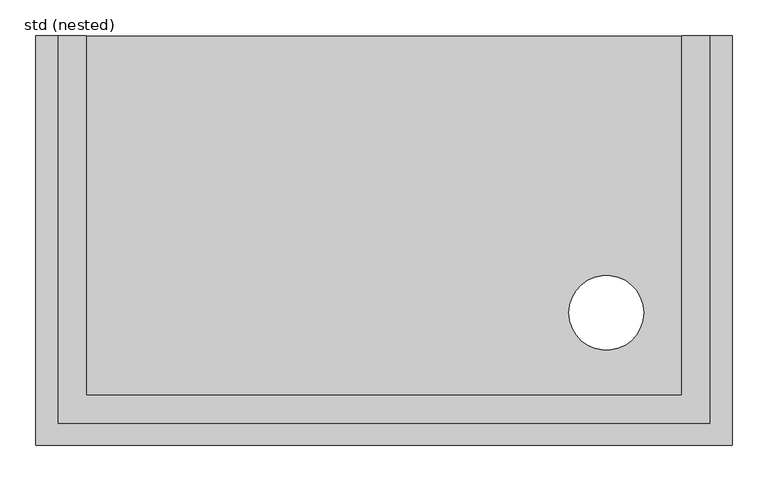
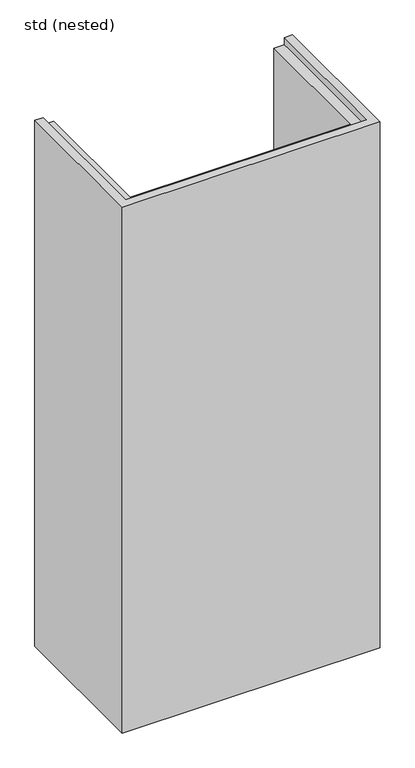
"""IFC4 building model written with IfcOpenShell, lengths in millimetres: proxy geometry, std (nested)."""

from ifc_helpers import new_model, si_unit, frame, origin, place, context, project, spatial, polyline, circle_curve, source, transform, mapped, element, save
from ifc_brep_helpers import plane_surface, revolved_surface, advanced_brep


def std_nested_1ade685b(model_context):
    return source(origin(), model_context, "Body", "AdvancedBrep", [
        advanced_brep(
        [(-484.5, 0.0, 2090.0), (-454.0, 0.0, 2090.0), (-454.0, 0.0, 2062.0), (-414.5, 0.0, 2062.0), (-414.5, 0.0, 90.0), (414.5, 0.0, 90.0), (414.5, 0.0, 2062.0), (454.0, 0.0, 2062.0), (454.0, 0.0, 2090.0), (484.5, 0.0, 2090.0), (484.5, 0.0, 0.0), (-484.5, 0.0, 0.0), (-484.5, -570.0, 0.0), (-484.5, -570.0, 2090.0), (484.5, -570.0, 2090.0), (454.0, -539.5, 2090.0), (-454.0, -539.5, 2090.0), (-454.0, -539.5, 2062.0), (454.0, -539.5, 2062.0), (414.5, -500.0, 2062.0), (-414.5, -500.0, 2062.0), (-414.5, -500.0, 90.0), (484.5, -570.0, 0.0), (414.5, -500.0, 90.0), (257.5, -385.0, 90.0), (361.5, -385.0, 90.0), (257.5, -385.0, 0.0), (361.5, -385.0, 0.0)],
        [
            (0, 1),
            (1, 2),
            (2, 3),
            (3, 4),
            (4, 5),
            (5, 6),
            (6, 7),
            (7, 8),
            (8, 9),
            (9, 10),
            (10, 11),
            (11, 0),
            (11, 12),
            (12, 13),
            (13, 0),
            (13, 14),
            (14, 9),
            (8, 15),
            (15, 16),
            (16, 1),
            (16, 17),
            (17, 2),
            (17, 18),
            (18, 7),
            (6, 19),
            (19, 20),
            (20, 3),
            (20, 21),
            (21, 4),
            (12, 22),
            (22, 14),
            (15, 18),
            (19, 23),
            (23, 21),
            (22, 10),
            (5, 23),
            (24, 25, circle_curve(frame((309.5, -385.0, 90.0), z_axis=(0.0, 0.0, -1.0), x_axis=(1.0, 0.0, 0.0)), 52.0)),
            (25, 24, circle_curve(frame((309.5, -385.0, 90.0), z_axis=(0.0, 0.0, -1.0), x_axis=(1.0, 0.0, 0.0)), 52.0)),
            (26, 27, circle_curve(frame((309.5, -385.0, 0.0), z_axis=(0.0, 0.0, 1.0), x_axis=(1.0, 0.0, 0.0)), 52.0)),
            (27, 26, circle_curve(frame((309.5, -385.0, 0.0), z_axis=(0.0, 0.0, 1.0), x_axis=(1.0, 0.0, 0.0)), 52.0)),
            (24, 26),
            (27, 25),
        ],
        [
            plane_surface(frame((-484.5, 0.0, 0.0), z_axis=(0.0, 1.0, 0.0), x_axis=(0.0, 0.0, 1.0))),
            plane_surface(frame((-484.5, 0.0, 90.0), z_axis=(-1.0, 0.0, 0.0), x_axis=(0.0, -1.0, 0.0))),
            plane_surface(frame((-484.5, 0.0, 2090.0), z_axis=(0.0, 0.0, 1.0), x_axis=(0.0, -1.0, 0.0))),
            plane_surface(frame((-454.0, 0.0, 2090.0), z_axis=(1.0, 0.0, 0.0), x_axis=(0.0, -1.0, 0.0))),
            plane_surface(frame((-454.0, 0.0, 2062.0), z_axis=(0.0, 0.0, 1.0), x_axis=(0.0, -1.0, 0.0))),
            plane_surface(frame((-414.5, 0.0, 2062.0), z_axis=(1.0, 0.0, 0.0), x_axis=(0.0, -1.0, 0.0))),
            plane_surface(frame((-484.5, -570.0, 90.0), z_axis=(0.0, -1.0, 0.0), x_axis=(1.0, 0.0, 0.0))),
            plane_surface(frame((-454.0, -539.5, 2090.0), z_axis=(0.0, 1.0, 0.0), x_axis=(1.0, 0.0, 0.0))),
            plane_surface(frame((-414.5, -500.0, 2062.0), z_axis=(0.0, 1.0, 0.0), x_axis=(1.0, 0.0, 0.0))),
            plane_surface(frame((484.5, -570.0, 90.0), z_axis=(1.0, 0.0, 0.0), x_axis=(0.0, 1.0, 0.0))),
            plane_surface(frame((454.0, -539.5, 2090.0), z_axis=(-1.0, 0.0, 0.0), x_axis=(0.0, 1.0, 0.0))),
            plane_surface(frame((414.5, -500.0, 2062.0), z_axis=(-1.0, 0.0, 0.0), x_axis=(0.0, 1.0, 0.0))),
            plane_surface(frame((-484.5, 0.0, 90.0), z_axis=(0.0, 0.0, 1.0), x_axis=(-1.0, 0.0, 0.0))),
            plane_surface(frame((-484.5, 0.0, 0.0), z_axis=(0.0, 0.0, -1.0), x_axis=(1.0, 0.0, 0.0))),
            revolved_surface(polyline([(361.5, -385.0, 0.0), (361.5, -385.0, 90.0)]), (309.5, -385.0, 0.0), (0.0, 0.0, -1.0)),
        ],
        [
            (0, [[1, 2, 3, 4, 5, 6, 7, 8, 9, 10, 11, 12]]),
            (1, [[-12, 13, 14, 15]]),
            (2, [[-1, -15, 16, 17, -9, 18, 19, 20]]),
            (3, [[-2, -20, 21, 22]]),
            (4, [[-3, -22, 23, 24, -7, 25, 26, 27]]),
            (5, [[-4, -27, 28, 29]]),
            (6, [[-14, 30, 31, -16]]),
            (7, [[-19, 32, -23, -21]]),
            (8, [[-26, 33, 34, -28]]),
            (9, [[-10, -17, -31, 35]]),
            (10, [[-18, -8, -24, -32]]),
            (11, [[-25, -6, 36, -33]]),
            (12, [[-5, -29, -34, -36], [37, 38]]),
            (13, [[-35, -30, -13, -11], [39, 40]]),
            (14, [[-37, 41, -40, 42]]),
            (14, [[-38, -42, -39, -41]]),
        ],
    ),
    ])


if __name__ == "__main__":
    model = new_model("IFC4")
    model_context = context("Model", 3, world=origin())
    ifc_project = project(units=[si_unit("LENGTHUNIT", "METRE", prefix="MILLI")], contexts=[model_context])
    site = spatial("IfcSite", under=ifc_project)
    building = spatial("IfcBuilding", under=site)
    placement = place(None, origin())
    std_nested_shape = std_nested_1ade685b(model_context)
    element("IfcBuildingElementProxy", 1, Name="std (nested)", ObjectType="std (nested)", at=placement, inside=building, context=model_context, shape_type="MappedRepresentation", body=[
        mapped(std_nested_shape, transform((0.0, 0.0, 0.0), x_axis=(1.0, 0.0, 0.0), y_axis=(0.0, 1.0, 0.0), z_axis=(0.0, 0.0, 1.0))),
    ])
    save(model, "model.ifc")
